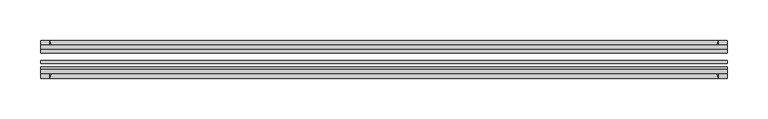
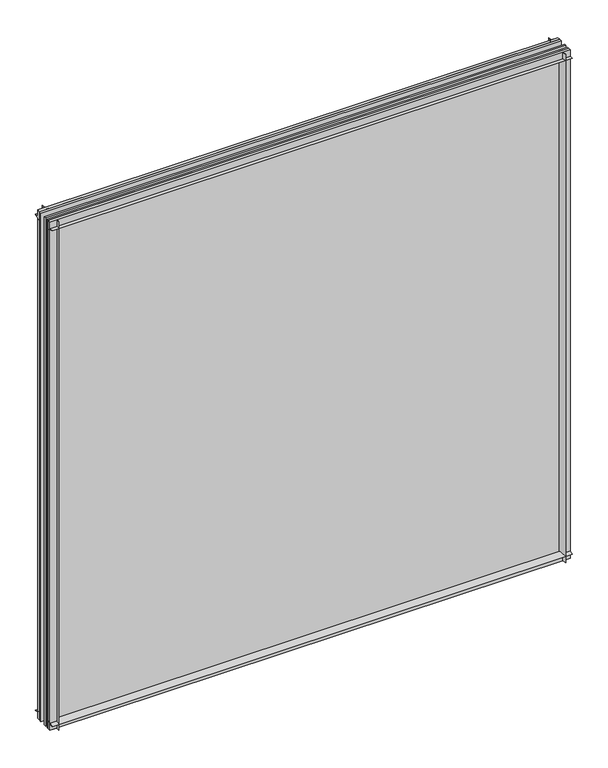
"""IFC4 building model written with IfcOpenShell, lengths in millimetres: plate geometry."""

from ifc_helpers import new_model, si_unit, point, frame, frame_2d, origin, place, context, project, spatial, polyline, circle_curve, trimmed, segment, composite_curve, outline, extrude, source, transform, mapped, element, save


def plate_6cbc6a87(model_context):
    return source(origin(), model_context, "Body", "SweptSolid", [
        extrude(outline(composite_curve([segment(polyline([(-74.653775, 0.0), (-80.586498, 0.0)]), True, "CONTINUOUS"), segment(trimmed(circle_curve(frame_2d((-86.2543953, 32.273404)), 32.7673262), [point((-80.586498, 0.0))], [point((-69.878575, 3.8915405))], True, "CARTESIAN"), True, "CONTINUOUS"), segment(polyline([(-69.878575, 3.8915405), (-69.878575, -10.31875), (-74.653775, -10.31875), (-74.653775, 0.0)]), True, "CONTINUOUS")], self_intersect=False)), frame((-423.8624997, 0.0, 0.0), z_axis=(1.0, 0.0, 0.0), x_axis=(0.0, 1.0, 0.0)), (0.0, 0.0, 1.0), 847.7249994),
        extrude(outline(composite_curve([segment(polyline([(-44.478575, -10.31875), (-44.478575, 3.8915405)]), True, "CONTINUOUS"), segment(trimmed(circle_curve(frame_2d((-28.1027547, 32.273404)), 32.7673262), [point((-44.478575, 3.8915405))], [point((-33.770652, 0.0))], True, "CARTESIAN"), True, "CONTINUOUS"), segment(polyline([(-33.770652, 0.0), (-39.703375, 0.0), (-39.703375, -10.31875), (-44.478575, -10.31875)]), True, "CONTINUOUS")], self_intersect=False)), frame((-423.8624997, 0.0, 0.0), z_axis=(1.0, 0.0, 0.0), x_axis=(0.0, 1.0, 0.0)), (0.0, 0.0, 1.0), 847.7249994),
        extrude(outline(composite_curve([segment(trimmed(circle_curve(frame_2d((-86.2543953, 821.795246)), 32.7673262), [point((-69.878575, 850.1771095))], [point((-80.622775, 854.075))], True, "CARTESIAN"), True, "CONTINUOUS"), segment(polyline([(-80.622775, 854.075), (-74.653775, 854.075), (-74.653775, 865.1875), (-69.878575, 865.1875), (-69.878575, 850.1771095)]), True, "CONTINUOUS")], self_intersect=False)), frame((-423.8624997, 0.0, 0.0), z_axis=(1.0, 0.0, 0.0), x_axis=(0.0, 1.0, 0.0)), (0.0, 0.0, 1.0), 847.7249994),
        extrude(outline(composite_curve([segment(polyline([(-44.478575, 850.1771095), (-44.478575, 865.1875), (-39.703375, 865.1875), (-39.703375, 854.075), (-33.734375, 854.075)]), True, "CONTINUOUS"), segment(trimmed(circle_curve(frame_2d((-28.1027547, 821.795246)), 32.7673262), [point((-33.734375, 854.075))], [point((-44.478575, 850.1771095))], True, "CARTESIAN"), True, "CONTINUOUS")], self_intersect=False)), frame((-423.8624997, 0.0, 0.0), z_axis=(1.0, 0.0, 0.0), x_axis=(0.0, 1.0, 0.0)), (0.0, 0.0, 1.0), 847.7249994),
        extrude(outline(composite_curve([segment(polyline([(408.8521092, -69.878575), (423.8624997, -69.878575), (423.8624997, -74.653775), (412.7499997, -74.653775), (412.7499997, -80.622775)]), True, "CONTINUOUS"), segment(trimmed(circle_curve(frame_2d((380.4702457, -86.2543953)), 32.7673262), [point((412.7499997, -80.622775))], [point((408.8521092, -69.878575))], True, "CARTESIAN"), True, "CONTINUOUS")], self_intersect=False)), frame((0.0, 0.0, -10.31875), z_axis=(0.0, 0.0, 1.0), x_axis=(1.0, 0.0, 0.0)), (0.0, 0.0, 1.0), 875.50625),
        extrude(outline(composite_curve([segment(trimmed(circle_curve(frame_2d((380.4702457, -28.1027547)), 32.7673262), [point((408.8521092, -44.478575))], [point((412.7499997, -33.734375))], True, "CARTESIAN"), True, "CONTINUOUS"), segment(polyline([(412.7499997, -33.734375), (412.7499997, -39.703375), (423.8624997, -39.703375), (423.8624997, -44.478575), (408.8521092, -44.478575)]), True, "CONTINUOUS")], self_intersect=False)), frame((0.0, 0.0, -10.31875), z_axis=(0.0, 0.0, 1.0), x_axis=(1.0, 0.0, 0.0)), (0.0, 0.0, 1.0), 875.50625),
        extrude(outline(composite_curve([segment(trimmed(circle_curve(frame_2d((-380.4702457, -86.2543953)), 32.7673262), [point((-408.8521092, -69.878575))], [point((-412.7499997, -80.622775))], True, "CARTESIAN"), True, "CONTINUOUS"), segment(polyline([(-412.7499997, -80.622775), (-412.7499997, -74.653775), (-423.8624997, -74.653775), (-423.8624997, -69.878575), (-408.8521092, -69.878575)]), True, "CONTINUOUS")], self_intersect=False)), frame((0.0, 0.0, -10.31875), z_axis=(0.0, 0.0, 1.0), x_axis=(1.0, 0.0, 0.0)), (0.0, 0.0, 1.0), 875.50625),
        extrude(outline(composite_curve([segment(polyline([(-408.8521092, -44.478575), (-423.8624997, -44.478575), (-423.8624997, -39.703375), (-412.7499997, -39.703375), (-412.7499997, -33.734375)]), True, "CONTINUOUS"), segment(trimmed(circle_curve(frame_2d((-380.4702457, -28.1027547)), 32.7673262), [point((-412.7499997, -33.734375))], [point((-408.8521092, -44.478575))], True, "CARTESIAN"), True, "CONTINUOUS")], self_intersect=False)), frame((0.0, 0.0, -10.31875), z_axis=(0.0, 0.0, 1.0), x_axis=(1.0, 0.0, 0.0)), (0.0, 0.0, 1.0), 875.50625),
        extrude(outline(polyline([(-423.8624997, -44.478575), (423.8624997, -44.478575), (423.8624997, -49.241075), (-423.8624997, -49.241075), (-423.8624997, -44.478575)])), frame((0.0, 0.0, -10.31875), z_axis=(0.0, 0.0, 1.0), x_axis=(1.0, 0.0, 0.0)), (0.0, 0.0, 1.0), 875.50625),
        extrude(outline(polyline([(423.8624997, -58.956575), (423.8624997, -62.131575), (-423.8624997, -62.131575), (-423.8624997, -58.956575), (423.8624997, -58.956575)])), frame((0.0, 0.0, -10.31875), z_axis=(0.0, 0.0, 1.0), x_axis=(1.0, 0.0, 0.0)), (0.0, 0.0, 1.0), 875.50625),
        extrude(outline(polyline([(-423.8624997, -66.703575), (423.8624997, -66.703575), (423.8624997, -69.878575), (-423.8624997, -69.878575), (-423.8624997, -66.703575)])), frame((0.0, 0.0, -10.31875), z_axis=(0.0, 0.0, 1.0), x_axis=(1.0, 0.0, 0.0)), (0.0, 0.0, 1.0), 875.50625),
    ])


if __name__ == "__main__":
    model = new_model("IFC4")
    model_context = context("Model", 3, world=origin())
    ifc_project = project(units=[si_unit("LENGTHUNIT", "METRE", prefix="MILLI")], contexts=[model_context])
    site = spatial("IfcSite", under=ifc_project)
    building = spatial("IfcBuilding", under=site)
    placement = place(None, origin())
    plate_shape = plate_6cbc6a87(model_context)
    element("IfcPlate", 1, at=placement, inside=building, context=model_context, shape_type="MappedRepresentation", body=[
        mapped(plate_shape, transform((0.0, 0.0, 0.0), x_axis=(1.0, 0.0, 0.0), y_axis=(0.0, 1.0, 0.0), z_axis=(0.0, 0.0, 1.0))),
    ])
    save(model, "model.ifc")
